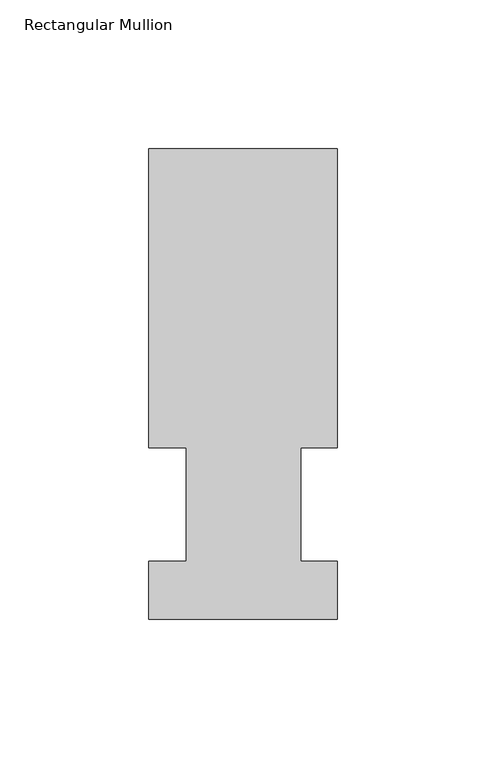
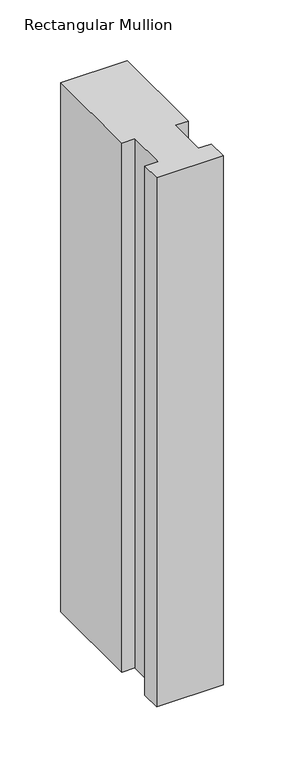
"""IFC4 building model written with IfcOpenShell, lengths in millimetres: member geometry, Rectangular Mullion."""

from ifc_helpers import new_model, si_unit, frame, origin, place, context, project, spatial, polyline, outline, extrude, source, transform, mapped, element, save


def rectangular_mullion_efdf633f(model_context):
    return source(origin(), model_context, "Body", "SweptSolid", [
        extrude(outline(polyline([(-63.5, 57.6460937), (-63.5, 158.3316937), (0.0, 158.3316937), (0.0, 57.6460937), (-12.3418395, 57.6460937), (-12.3418395, 19.5460937), (0.0, 19.5460937), (0.0, 0.0134938), (-63.5, 0.0134938), (-63.5, 19.5460937), (-50.8, 19.5460937), (-50.8, 57.6460937), (-63.5, 57.6460937)])), frame((0.0, 0.0, -533.4), z_axis=(0.0, 0.0, 1.0), x_axis=(1.0, 0.0, 0.0)), (0.0, 0.0, 1.0), 533.4),
    ])


if __name__ == "__main__":
    model = new_model("IFC4")
    model_context = context("Model", 3, world=origin())
    ifc_project = project(units=[si_unit("LENGTHUNIT", "METRE", prefix="MILLI")], contexts=[model_context])
    site = spatial("IfcSite", under=ifc_project)
    building = spatial("IfcBuilding", under=site)
    placement = place(None, origin())
    rectangular_mullion_shape = rectangular_mullion_efdf633f(model_context)
    element("IfcMember", 1, ObjectType="Rectangular Mullion", at=placement, inside=building, context=model_context, shape_type="MappedRepresentation", body=[
        mapped(rectangular_mullion_shape, transform((0.0, 0.0, 0.0), x_axis=(1.0, 0.0, 0.0), y_axis=(0.0, 1.0, 0.0), z_axis=(0.0, 0.0, 1.0))),
    ])
    save(model, "model.ifc")
